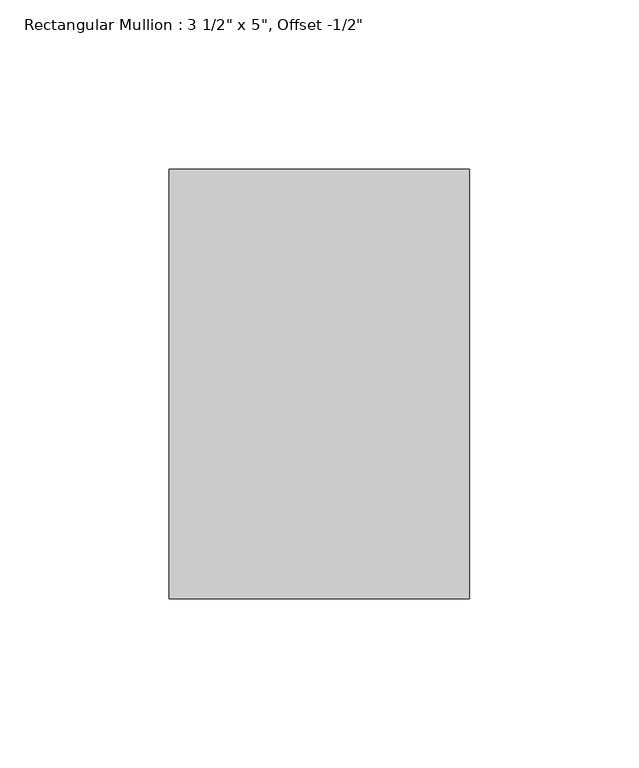
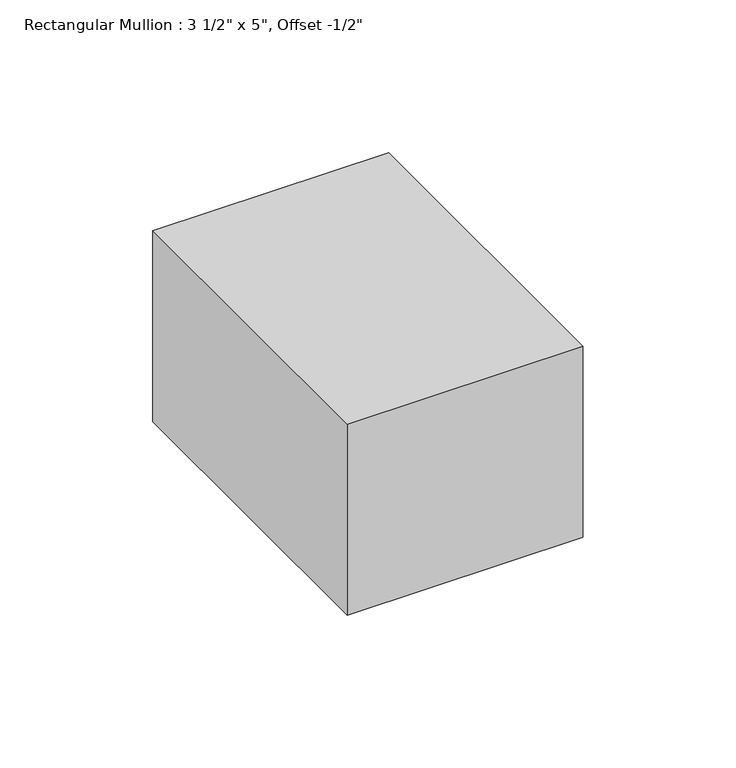
"""IFC4 building model written with IfcOpenShell, lengths in millimetres: member geometry."""

from ifc_helpers import new_model, si_unit, frame, origin, place, context, project, spatial, polyline, outline, extrude, source, transform, mapped, element, save


def member_bedbe952(model_context):
    return source(origin(), model_context, "Body", "SweptSolid", [
        extrude(outline(polyline([(0.0, 76.2), (0.0, -50.8), (-88.9, -50.8), (-88.9, 76.2), (0.0, 76.2)])), frame((0.0, 0.0, -76.2), z_axis=(0.0, 0.0, 1.0), x_axis=(1.0, 0.0, 0.0)), (0.0, 0.0, 1.0), 76.2),
    ])


if __name__ == "__main__":
    model = new_model("IFC4")
    model_context = context("Model", 3, world=origin())
    ifc_project = project(units=[si_unit("LENGTHUNIT", "METRE", prefix="MILLI")], contexts=[model_context])
    site = spatial("IfcSite", under=ifc_project)
    building = spatial("IfcBuilding", under=site)
    placement = place(None, origin())
    member_shape = member_bedbe952(model_context)
    element("IfcMember", 1, ObjectType="Rectangular Mullion : 3 1/2\" x 5\", Offset -1/2\"", at=placement, inside=building, context=model_context, shape_type="MappedRepresentation", body=[
        mapped(member_shape, transform((0.0, 0.0, 0.0), x_axis=(1.0, 0.0, 0.0), y_axis=(0.0, 1.0, 0.0), z_axis=(0.0, 0.0, 1.0))),
    ])
    save(model, "model.ifc")
